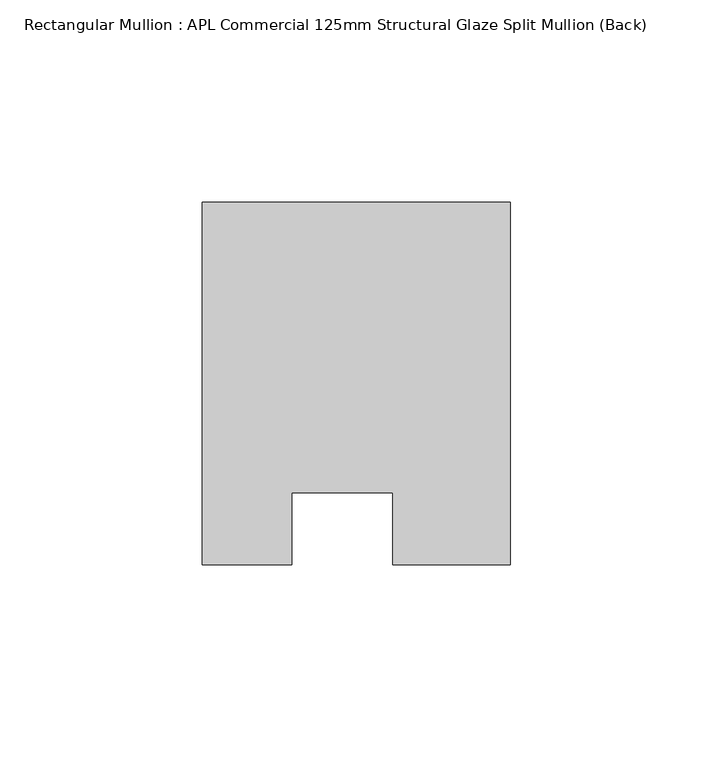
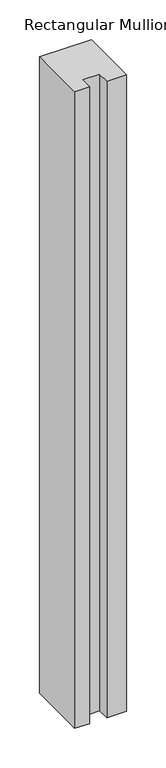
"""IFC4 building model written with IfcOpenShell, lengths in millimetres: member geometry, Rectangular Mullion : APL Commercial 125mm Structural Glaze Split Mullion (Back)."""

import ifcopenshell
import ifcopenshell.guid

model = None  # the IFC model being written
_history = None  # IfcOwnerHistory: only IFC2X3 demands one
_inside = {}  # id of a spatial element -> (the spatial element, [elements in it])
_under = {}  # id of a project, library or spatial element -> (it, [spatial elements below it])
_declared = {}  # id of a project -> (the project, [libraries it declares])
_typed = {}  # id of a type object -> (the type object, [elements of that type])
_made_of = {}  # id of a material, layer set ... -> (it, [elements and type objects made of it])


def new_model(schema):
    """Start an empty IFC model of exactly this schema.

    Asked for "IFC4X3", IfcOpenShell would pick the latest addendum, in which some entities
    have other attributes; the version numbers below select the first issue.
    IFC2X3 requires an IfcOwnerHistory on every rooted entity: one is made here for all.
    """
    global model, _history
    if schema == "IFC4X3":
        model = ifcopenshell.file(schema_version=(4, 3, 0, 0))
    else:
        model = ifcopenshell.file(schema=schema)
    _inside.clear()
    _under.clear()
    _declared.clear()
    _typed.clear()
    _made_of.clear()
    _history = None
    if model.schema == "IFC2X3":
        org = make("IfcOrganization", Name="unknown")
        user = make(
            "IfcPersonAndOrganization",
            ThePerson=make("IfcPerson", FamilyName="unknown"),
            TheOrganization=org,
        )
        app = make(
            "IfcApplication",
            ApplicationDeveloper=org,
            Version="unknown",
            ApplicationFullName="unknown",
            ApplicationIdentifier="unknown",
        )
        _history = make(
            "IfcOwnerHistory",
            OwningUser=user,
            OwningApplication=app,
            ChangeAction="ADDED",
            CreationDate=0,
        )
    return model


def make(cls, **values):
    """One entity of the class cls with the attributes given. An attribute that is None is left unset."""
    return model.create_entity(
        cls, **{name: value for name, value in values.items() if value is not None}
    )


def rooted(cls, **values):
    """An entity with a GlobalId (a new one), such as an element, a storey or a relation."""
    return make(cls, GlobalId=ifcopenshell.guid.new(), OwnerHistory=_history, **values)


def si_unit(unit_type, name, prefix=None):
    """IfcSIUnit, for example si_unit("LENGTHUNIT", "METRE", prefix="MILLI")."""
    return make("IfcSIUnit", UnitType=unit_type, Prefix=prefix, Name=name)


def assignment(units):
    """IfcUnitAssignment: the units of a project."""
    return None if units is None else make("IfcUnitAssignment", Units=units)


def point(xyz):
    """IfcCartesianPoint."""
    return None if xyz is None else make("IfcCartesianPoint", Coordinates=xyz)


def direction(xyz):
    """IfcDirection."""
    return None if xyz is None else make("IfcDirection", DirectionRatios=xyz)


def frame(location, z_axis=None, x_axis=None):
    """IfcAxis2Placement3D, a coordinate frame: its origin and axes. An axis left out is left unset."""
    return make(
        "IfcAxis2Placement3D",
        Location=point(location),
        Axis=direction(z_axis),
        RefDirection=direction(x_axis),
    )


def origin():
    """The frame at (0, 0, 0) with its axes left unset."""
    return frame((0.0, 0.0, 0.0))


def place(relative_to, where):
    """IfcLocalPlacement: puts the frame where relative to a parent placement (None: the world)."""
    return make(
        "IfcLocalPlacement", PlacementRelTo=relative_to, RelativePlacement=where
    )


def context(
    kind, dimensions, precision=None, world=None, true_north=None, identifier=None
):
    """IfcGeometricRepresentationContext, for example the 3D "Model" context."""
    return make(
        "IfcGeometricRepresentationContext",
        ContextIdentifier=identifier,
        ContextType=kind,
        CoordinateSpaceDimension=dimensions,
        Precision=precision,
        WorldCoordinateSystem=world,
        TrueNorth=true_north,
    )


def project(units=None, contexts=None):
    """IfcProject with its units and contexts."""
    return rooted(
        "IfcProject",
        Name="project",
        RepresentationContexts=contexts,
        UnitsInContext=assignment(units),
    )


def spatial(cls, under=None, at=None, **own):
    """A site, building, storey or space (cls), placed at a placement, below another one or the project."""
    s = rooted(cls, ObjectPlacement=at, **own)
    if under is not None:
        _under.setdefault(under.id(), (under, []))[1].append(s)
    return s


def polyline(points):
    """IfcPolyline through the points."""
    return make("IfcPolyline", Points=[point(p) for p in points])


def outline(outer, holes=None, kind="AREA"):
    """IfcArbitraryClosedProfileDef: a profile drawn as a closed curve; with holes, ...WithVoids."""
    if holes is None:
        return make("IfcArbitraryClosedProfileDef", ProfileType=kind, OuterCurve=outer)
    return make(
        "IfcArbitraryProfileDefWithVoids",
        ProfileType=kind,
        OuterCurve=outer,
        InnerCurves=holes,
    )


def extrude(swept, where, along, depth):
    """IfcExtrudedAreaSolid: the profile swept, set in the frame where, extruded along a direction by depth."""
    return make(
        "IfcExtrudedAreaSolid",
        SweptArea=swept,
        Position=where,
        ExtrudedDirection=direction(along),
        Depth=depth,
    )


def shape(context_of_items, identifier, shape_type, items):
    """IfcShapeRepresentation: the items that make up one representation, for example the "Body"."""
    return make(
        "IfcShapeRepresentation",
        ContextOfItems=context_of_items,
        RepresentationIdentifier=identifier,
        RepresentationType=shape_type,
        Items=items,
    )


def source(mapping_origin, context_of_items, identifier, shape_type, items):
    """IfcRepresentationMap: a shape defined once, which mapped items show again and again."""
    return make(
        "IfcRepresentationMap",
        MappingOrigin=mapping_origin,
        MappedRepresentation=shape(context_of_items, identifier, shape_type, items),
    )


def transform(
    local_origin,
    x_axis=None,
    y_axis=None,
    z_axis=None,
    scale=None,
    scale2=None,
    scale3=None,
    uniform=True,
):
    """IfcCartesianTransformationOperator3D, or its non-uniform kind. x_axis, y_axis, z_axis: its Axis1, 2, 3."""
    if uniform:
        return make(
            "IfcCartesianTransformationOperator3D",
            Axis1=direction(x_axis),
            Axis2=direction(y_axis),
            LocalOrigin=point(local_origin),
            Scale=scale,
            Axis3=direction(z_axis),
        )
    return make(
        "IfcCartesianTransformationOperator3DnonUniform",
        Axis1=direction(x_axis),
        Axis2=direction(y_axis),
        LocalOrigin=point(local_origin),
        Scale=scale,
        Axis3=direction(z_axis),
        Scale2=scale2,
        Scale3=scale3,
    )


def mapped(mapping_source, mapping_target):
    """IfcMappedItem: shows the shape of a source again, moved by a transform."""
    return make(
        "IfcMappedItem", MappingSource=mapping_source, MappingTarget=mapping_target
    )


def made_of(thing, what):
    """Note that an element or type object is made of a material, layer set ...; save() writes the relation."""
    if what is not None:
        _made_of.setdefault(what.id(), (what, []))[1].append(thing)
    return thing


def element(
    cls,
    number,
    at=None,
    inside=None,
    cuts=None,
    type_object=None,
    material=None,
    context=None,
    identifier="Body",
    shape_type=None,
    held_by="IfcProductDefinitionShape",
    body=None,
    shapes=None,
    **own,
):
    """One element of the class cls, such as IfcWall. Its Tag is "e" and its number.

    at: its placement. inside: the storey or other place that contains it. cuts: it is an
    opening in that element (IfcRelVoidsElement). A single representation is given by context,
    identifier, shape_type and body (its items); several are given by shapes. held_by: the class
    of the entity that holds the representations. save() writes the other relations.
    """
    e = rooted(cls, Tag="e%d" % number, ObjectPlacement=at, **own)
    if body is not None:
        shapes = [shape(context, identifier, shape_type, body)]
    if shapes is not None:
        e.Representation = make(held_by, Representations=shapes)
    if inside is not None:
        _inside.setdefault(inside.id(), (inside, []))[1].append(e)
    if cuts is not None:
        rooted(
            "IfcRelVoidsElement", RelatingBuildingElement=cuts, RelatedOpeningElement=e
        )
    if type_object is not None:
        _typed.setdefault(type_object.id(), (type_object, []))[1].append(e)
    return made_of(e, material)


def aggregate(whole, parts):
    """IfcRelAggregates: a whole, such as a stair, and the parts it consists of."""
    return rooted("IfcRelAggregates", RelatingObject=whole, RelatedObjects=parts)


def save(model, path):
    """Write the relations noted so far, then the file.

    IfcRelAggregates (storeys below a building ...), IfcRelContainedInSpatialStructure (elements
    in a storey), IfcRelDefinesByType, IfcRelAssociatesMaterial and IfcRelDeclares: one each for
    every whole, place, type object, material and project.
    """
    for whole, parts in _under.values():
        aggregate(whole, parts)
    for where, things in _inside.values():
        rooted(
            "IfcRelContainedInSpatialStructure",
            RelatedElements=things,
            RelatingStructure=where,
        )
    for kind, things in _typed.values():
        rooted("IfcRelDefinesByType", RelatedObjects=things, RelatingType=kind)
    for what, things in _made_of.values():
        rooted("IfcRelAssociatesMaterial", RelatedObjects=things, RelatingMaterial=what)
    for by, libraries in _declared.values():
        rooted("IfcRelDeclares", RelatingContext=by, RelatedDefinitions=libraries)
    model.write(path)


def rectangular_mullion_apl_commercial_125mm_structural_glaze_e6c28ea7(model_context):
    return source(origin(), model_context, "Body", "SweptSolid", [
        extrude(outline(polyline([(37.9999914, 104.4960123), (37.9999914, 14.9960123), (9.0, 14.9960123), (9.0, 32.7960123), (-16.0, 32.7960123), (-16.0, 14.9960123), (-37.9999896, 14.9960123), (-37.9999896, 104.4960123), (37.9999914, 104.4960123)])), frame((0.0, 0.0, -983.6089547), z_axis=(0.0, 0.0, 1.0), x_axis=(1.0, 0.0, 0.0)), (0.0, 0.0, 1.0), 983.6089547),
    ])


if __name__ == "__main__":
    model = new_model("IFC4")
    model_context = context("Model", 3, world=origin())
    ifc_project = project(units=[si_unit("LENGTHUNIT", "METRE", prefix="MILLI")], contexts=[model_context])
    site = spatial("IfcSite", under=ifc_project)
    building = spatial("IfcBuilding", under=site)
    placement = place(None, origin())
    rectangular_mullion_apl_commercial_125mm_structural_glaze_shape = rectangular_mullion_apl_commercial_125mm_structural_glaze_e6c28ea7(model_context)
    element("IfcMember", 1, ObjectType="Rectangular Mullion : APL Commercial 125mm Structural Glaze Split Mullion (Back)", at=placement, inside=building, context=model_context, shape_type="MappedRepresentation", body=[
        mapped(rectangular_mullion_apl_commercial_125mm_structural_glaze_shape, transform((0.0, 0.0, 0.0), x_axis=(1.0, 0.0, 0.0), y_axis=(0.0, 1.0, 0.0), z_axis=(0.0, 0.0, 1.0))),
    ])
    save(model, "model.ifc")
